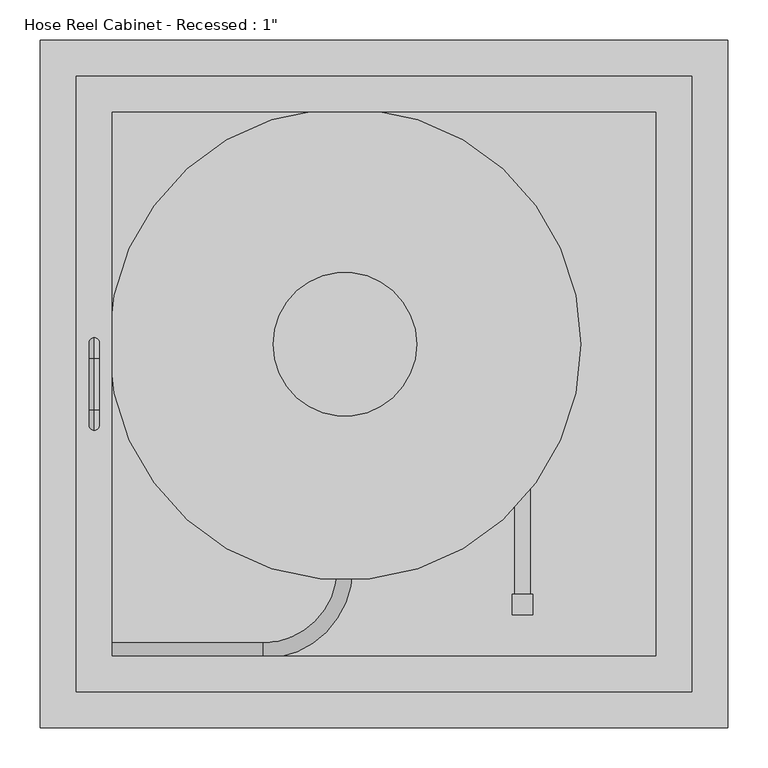
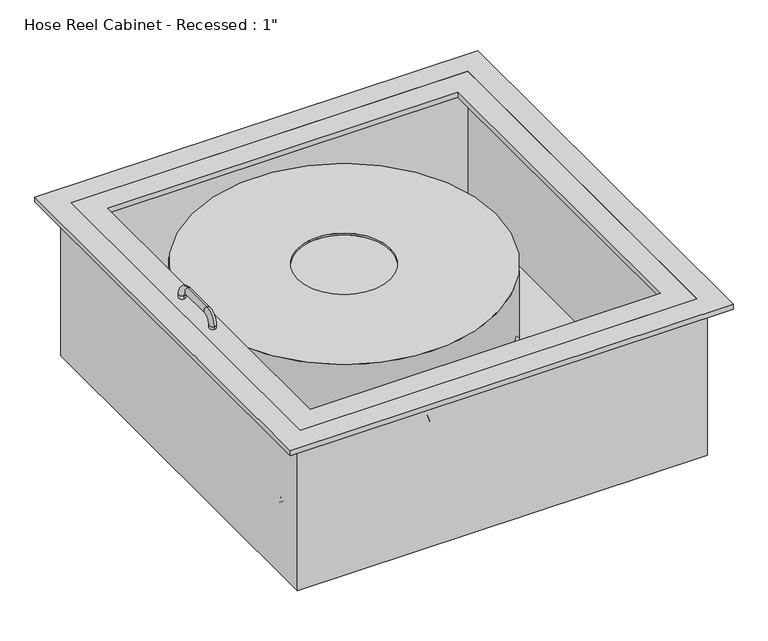
"""IFC4 building model written with IfcOpenShell, lengths in millimetres: proxy geometry."""

from ifc_helpers import new_model, si_unit, point, frame, origin, origin_with_axes, place, context, project, spatial, polyline, circle_curve, ellipse_curve, trimmed, outline, extrude, faceted_brep, source, transform, mapped, element, save
from ifc_brep_helpers import plane_surface, cylinder_surface, revolved_surface, advanced_brep


def proxy_30a38437(model_context):
    return source(origin(), model_context, "Body", "SolidModel", [
        extrude(outline(polyline([(381.0, 774.7), (381.0, 12.7), (-381.0, 12.7), (-381.0, 774.7), (381.0, 774.7)]), holes=[polyline([(336.55, 730.25), (-336.55, 730.25), (-336.55, 57.15), (336.55, 57.15), (336.55, 730.25)])]), origin_with_axes(), (0.0, 0.0, 1.0), 9.525),
        faceted_brep([(393.7, 787.4, -304.8), (393.7, 0.0, -304.8), (-393.7, 0.0, -304.8), (-393.7, 787.4, -304.8), (-393.7, 787.4, 0.0), (393.7, 787.4, 0.0), (-393.7, 0.0, 0.0), (393.7, 0.0, 0.0), (381.0, 774.7, -282.575), (-381.0, 774.7, -282.575), (-381.0, 12.7, -282.575), (381.0, 12.7, -282.575), (381.0, 774.7, 9.525), (-381.0, 774.7, 9.525), (-381.0, 12.7, 9.525), (381.0, 12.7, 9.525), (425.45, 819.15, 9.525), (-425.45, 819.15, 9.525), (-425.45, -31.75, 9.525), (425.45, -31.75, 9.525), (425.45, 819.15, 0.0), (425.45, -31.75, 0.0), (-425.45, -31.75, 0.0), (-425.45, 819.15, 0.0)], [[[0, 1, 2, 3]], [[0, 3, 4, 5]], [[3, 2, 6, 4]], [[2, 1, 7, 6]], [[1, 0, 5, 7]], [[8, 9, 10, 11]], [[9, 8, 12, 13]], [[10, 9, 13, 14]], [[11, 10, 14, 15]], [[12, 8, 11, 15]], [[16, 17, 18, 19], [12, 15, 14, 13]], [[20, 21, 22, 23], [5, 4, 6, 7]], [[17, 16, 20, 23]], [[18, 17, 23, 22]], [[19, 18, 22, 21]], [[16, 19, 21, 20]]]),
        advanced_brep(
        [(161.925, 342.9, -152.4), (180.975, 342.9, -152.4), (180.975, 133.35, -152.4), (161.925, 133.35, -152.4), (158.75, 107.95, -152.4), (184.15, 107.95, -152.4), (158.75, 133.35, -152.4), (184.15, 133.35, -152.4)],
        [
            (0, 1, circle_curve(frame((171.45, 342.9, -152.4), z_axis=(0.0, 1.0, 0.0), x_axis=(1.0, 0.0, 0.0)), 9.525)),
            (1, 0, circle_curve(frame((171.45, 342.9, -152.4), z_axis=(0.0, 1.0, 0.0), x_axis=(1.0, 0.0, 0.0)), 9.525)),
            (1, 2),
            (2, 3, circle_curve(frame((171.45, 133.35, -152.4), z_axis=(0.0, 1.0, 0.0), x_axis=(1.0, 0.0, 0.0)), 9.525)),
            (3, 0),
            (3, 2, circle_curve(frame((171.45, 133.35, -152.4), z_axis=(0.0, 1.0, 0.0), x_axis=(1.0, 0.0, 0.0)), 9.525)),
            (4, 5, circle_curve(frame((171.45, 107.95, -152.4), z_axis=(0.0, -1.0, 0.0), x_axis=(1.0, 0.0, 0.0)), 12.7)),
            (5, 4, circle_curve(frame((171.45, 107.95, -152.4), z_axis=(0.0, -1.0, 0.0), x_axis=(1.0, 0.0, 0.0)), 12.7)),
            (6, 7, circle_curve(frame((171.45, 133.35, -152.4), z_axis=(0.0, 1.0, 0.0), x_axis=(1.0, 0.0, 0.0)), 12.7)),
            (7, 6, circle_curve(frame((171.45, 133.35, -152.4), z_axis=(0.0, 1.0, 0.0), x_axis=(1.0, 0.0, 0.0)), 12.7)),
            (4, 6),
            (7, 5),
        ],
        [
            plane_surface(frame((180.975, 342.9, -152.4), z_axis=(0.0, 1.0, 0.0), x_axis=(0.0, 0.0, -1.0))),
            cylinder_surface(frame((171.45, 342.9, -152.4), z_axis=(0.0, -1.0, 0.0), x_axis=(1.0, 0.0, 0.0)), 9.525),
            plane_surface(frame((184.15, 107.95, -152.4), z_axis=(0.0, -1.0, 0.0), x_axis=(0.0, 0.0, 1.0))),
            plane_surface(frame((184.15, 133.35, -152.4), z_axis=(0.0, 1.0, 0.0), x_axis=(0.0, 0.0, -1.0))),
            cylinder_surface(frame((171.45, 133.35, -152.4), z_axis=(0.0, -1.0, 0.0), x_axis=(1.0, 0.0, 0.0)), 12.7),
        ],
        [
            (0, [[1, 2]]),
            (1, [[-2, 3, 4, 5]]),
            (1, [[-1, -5, 6, -3]]),
            (2, [[7, 8]]),
            (3, [[9, 10], [-4, -6]]),
            (4, [[-7, 11, -10, 12]]),
            (4, [[-8, -12, -9, -11]]),
        ],
    ),
        advanced_brep(
        [(-393.7, 53.975, -152.4), (-393.7, 73.025, -152.4), (-150.01875, 53.975, -152.4), (-150.01875, 73.025, -152.4), (-57.94375, 165.1, -152.4), (-38.89375, 165.1, -152.4), (-38.89375, 196.85, -152.4), (-57.94375, 196.85, -152.4)],
        [
            (0, 1, circle_curve(frame((-393.7, 63.5, -152.4), z_axis=(-1.0, 0.0, 0.0), x_axis=(0.0, 1.0, 0.0)), 9.525)),
            (1, 0, circle_curve(frame((-393.7, 63.5, -152.4), z_axis=(-1.0, 0.0, 0.0), x_axis=(0.0, 1.0, 0.0)), 9.525)),
            (0, 2),
            (2, 3, circle_curve(frame((-150.01875, 63.5, -152.4), z_axis=(-1.0, 0.0, 0.0), x_axis=(0.0, 1.0, 0.0)), 9.525)),
            (3, 1),
            (3, 2, circle_curve(frame((-150.01875, 63.5, -152.4), z_axis=(-1.0, 0.0, 0.0), x_axis=(0.0, 1.0, 0.0)), 9.525)),
            (4, 3, circle_curve(frame((-150.01875, 165.1, -152.4), z_axis=(0.0, 0.0, -1.0), x_axis=(0.0, -1.0, 0.0)), 92.075)),
            (2, 5, circle_curve(frame((-150.01875, 165.1, -152.4), z_axis=(0.0, 0.0, 1.0), x_axis=(0.0, -1.0, 0.0)), 111.125)),
            (5, 4, circle_curve(frame((-48.41875, 165.1, -152.4), z_axis=(0.0, -1.0, 0.0), x_axis=(-1.0, 0.0, 0.0)), 9.525)),
            (4, 5, circle_curve(frame((-48.41875, 165.1, -152.4), z_axis=(0.0, -1.0, 0.0), x_axis=(-1.0, 0.0, 0.0)), 9.525)),
            (6, 7, circle_curve(frame((-48.41875, 196.85, -152.4), z_axis=(0.0, 1.0, 0.0), x_axis=(-1.0, 0.0, 0.0)), 9.525)),
            (7, 6, circle_curve(frame((-48.41875, 196.85, -152.4), z_axis=(0.0, 1.0, 0.0), x_axis=(-1.0, 0.0, 0.0)), 9.525)),
            (5, 6),
            (7, 4),
        ],
        [
            plane_surface(frame((-393.7, 63.5, -152.4), z_axis=(-1.0, 0.0, 0.0), x_axis=(0.0, 0.0, 1.0))),
            cylinder_surface(frame((-393.7, 63.5, -152.4), z_axis=(-1.0, 0.0, 0.0), x_axis=(0.0, 1.0, 0.0)), 9.525),
            revolved_surface(trimmed(ellipse_curve(frame((-150.01875, 63.5, -152.4), z_axis=(-1.0, 0.0, 0.0), x_axis=(0.0, 1.0, 0.0)), 9.525, 9.525), [point((-150.01875, 53.975, -152.4))], [point((-150.01875, 73.025, -152.4))], True, "CARTESIAN"), (-150.01875, 165.1, -152.4), (0.0, 0.0, 1.0)),
            revolved_surface(trimmed(ellipse_curve(frame((-150.01875, 63.5, -152.4), z_axis=(-1.0, 0.0, 0.0), x_axis=(0.0, 1.0, 0.0)), 9.525, 9.525), [point((-150.01875, 73.025, -152.4))], [point((-150.01875, 53.975, -152.4))], True, "CARTESIAN"), (-150.01875, 165.1, -152.4), (0.0, 0.0, 1.0)),
            plane_surface(frame((-48.41875, 196.85, -152.4), z_axis=(0.0, 1.0, 0.0), x_axis=(0.0, 0.0, 1.0))),
            cylinder_surface(frame((-48.41875, 165.1, -152.4), z_axis=(0.0, -1.0, 0.0), x_axis=(-1.0, 0.0, 0.0)), 9.525),
        ],
        [
            (0, [[1, 2]]),
            (1, [[-1, 3, 4, 5]]),
            (1, [[-2, -5, 6, -3]]),
            (2, [[7, -4, 8, 9]]),
            (3, [[-8, -6, -7, 10]]),
            (4, [[11, 12]]),
            (5, [[-9, 13, -12, 14]]),
            (5, [[-10, -14, -11, -13]]),
        ],
    ),
        advanced_brep(
        [(-340.51875, 442.9125, -30.1625), (243.68125, 442.9125, -30.1625), (-137.31875, 442.9125, -30.1625), (40.48125, 442.9125, -30.1625), (-340.51875, 442.9125, -282.575), (243.68125, 442.9125, -282.575), (-137.31875, 442.9125, -33.3375), (40.48125, 442.9125, -33.3375)],
        [
            (0, 1, circle_curve(frame((-48.41875, 442.9125, -30.1625), z_axis=(0.0, 0.0, 1.0), x_axis=(1.0, 0.0, 0.0)), 292.1)),
            (1, 0, circle_curve(frame((-48.41875, 442.9125, -30.1625), z_axis=(0.0, 0.0, 1.0), x_axis=(1.0, 0.0, 0.0)), 292.1)),
            (2, 3, circle_curve(frame((-48.41875, 442.9125, -30.1625), z_axis=(0.0, 0.0, -1.0), x_axis=(1.0, 0.0, 0.0)), 88.9)),
            (3, 2, circle_curve(frame((-48.41875, 442.9125, -30.1625), z_axis=(0.0, 0.0, -1.0), x_axis=(1.0, 0.0, 0.0)), 88.9)),
            (4, 5, circle_curve(frame((-48.41875, 442.9125, -282.575), z_axis=(0.0, 0.0, -1.0), x_axis=(1.0, 0.0, 0.0)), 292.1)),
            (5, 4, circle_curve(frame((-48.41875, 442.9125, -282.575), z_axis=(0.0, 0.0, -1.0), x_axis=(1.0, 0.0, 0.0)), 292.1)),
            (0, 4),
            (5, 1),
            (2, 6),
            (6, 7, circle_curve(frame((-48.41875, 442.9125, -33.3375), z_axis=(0.0, 0.0, -1.0), x_axis=(1.0, 0.0, 0.0)), 88.9)),
            (7, 3),
            (7, 6, circle_curve(frame((-48.41875, 442.9125, -33.3375), z_axis=(0.0, 0.0, -1.0), x_axis=(1.0, 0.0, 0.0)), 88.9)),
        ],
        [
            plane_surface(frame((243.68125, 442.9125, -30.1625), z_axis=(0.0, 0.0, 1.0), x_axis=(0.0, 1.0, 0.0))),
            plane_surface(frame((243.68125, 442.9125, -282.575), z_axis=(0.0, 0.0, -1.0), x_axis=(0.0, -1.0, 0.0))),
            cylinder_surface(frame((-48.41875, 442.9125, -282.575), z_axis=(0.0, 0.0, 1.0), x_axis=(1.0, 0.0, 0.0)), 292.1),
            revolved_surface(polyline([(40.48125, 442.9125, -33.3375), (40.48125, 442.9125, -30.1625)]), (-48.41875, 442.9125, 0.0), (0.0, 0.0, -1.0)),
            plane_surface(frame((40.48125, 442.9125, -33.3375), z_axis=(0.0, 0.0, 1.0), x_axis=(0.0, 1.0, 0.0))),
        ],
        [
            (0, [[1, 2], [3, 4]]),
            (1, [[5, 6]]),
            (2, [[-1, 7, -6, 8]]),
            (2, [[-2, -8, -5, -7]]),
            (3, [[-3, 9, 10, 11]]),
            (3, [[-4, -11, 12, -9]]),
            (4, [[-10, -12]]),
        ],
    ),
        advanced_brep(
        [(-358.775, 450.85, 9.525), (-358.775, 438.15, 9.525), (-358.775, 450.85, 15.875), (-358.775, 438.15, 15.875), (-358.775, 425.45, 28.575), (-358.775, 425.45, 41.275), (-358.775, 361.95, 41.275), (-358.775, 361.95, 28.575), (-358.775, 349.25, 15.875), (-358.775, 336.55, 15.875), (-358.775, 336.55, 9.525), (-358.775, 349.25, 9.525)],
        [
            (0, 1, circle_curve(frame((-358.775, 444.5, 9.525), z_axis=(0.0, 0.0, -1.0), x_axis=(0.0, -1.0, 0.0)), 6.35)),
            (1, 0, circle_curve(frame((-358.775, 444.5, 9.525), z_axis=(0.0, 0.0, -1.0), x_axis=(0.0, -1.0, 0.0)), 6.35)),
            (0, 2),
            (2, 3, circle_curve(frame((-358.775, 444.5, 15.875), z_axis=(0.0, 0.0, -1.0), x_axis=(0.0, -1.0, 0.0)), 6.35)),
            (3, 1),
            (3, 2, circle_curve(frame((-358.775, 444.5, 15.875), z_axis=(0.0, 0.0, -1.0), x_axis=(0.0, -1.0, 0.0)), 6.35)),
            (4, 3, circle_curve(frame((-358.775, 425.45, 15.875), z_axis=(-1.0, 0.0, 0.0), x_axis=(0.0, 1.0, 0.0)), 12.7)),
            (2, 5, circle_curve(frame((-358.775, 425.45, 15.875), z_axis=(1.0, 0.0, 0.0), x_axis=(0.0, 1.0, 0.0)), 25.4)),
            (5, 4, circle_curve(frame((-358.775, 425.45, 34.925), z_axis=(0.0, 1.0, 0.0), x_axis=(0.0, 0.0, -1.0)), 6.35)),
            (4, 5, circle_curve(frame((-358.775, 425.45, 34.925), z_axis=(0.0, 1.0, 0.0), x_axis=(0.0, 0.0, -1.0)), 6.35)),
            (5, 6),
            (6, 7, circle_curve(frame((-358.775, 361.95, 34.925), z_axis=(0.0, 1.0, 0.0), x_axis=(0.0, 0.0, -1.0)), 6.35)),
            (7, 4),
            (7, 6, circle_curve(frame((-358.775, 361.95, 34.925), z_axis=(0.0, 1.0, 0.0), x_axis=(0.0, 0.0, -1.0)), 6.35)),
            (8, 7, circle_curve(frame((-358.775, 361.95, 15.875), z_axis=(-1.0, 0.0, 0.0), x_axis=(0.0, 0.0, 1.0)), 12.7)),
            (6, 9, circle_curve(frame((-358.775, 361.95, 15.875), z_axis=(1.0, 0.0, 0.0), x_axis=(0.0, 0.0, 1.0)), 25.4)),
            (9, 8, circle_curve(frame((-358.775, 342.9, 15.875), z_axis=(0.0, 0.0, 1.0), x_axis=(0.0, 1.0, 0.0)), 6.35)),
            (8, 9, circle_curve(frame((-358.775, 342.9, 15.875), z_axis=(0.0, 0.0, 1.0), x_axis=(0.0, 1.0, 0.0)), 6.35)),
            (10, 11, circle_curve(frame((-358.775, 342.9, 9.525), z_axis=(0.0, 0.0, -1.0), x_axis=(0.0, 1.0, 0.0)), 6.35)),
            (11, 10, circle_curve(frame((-358.775, 342.9, 9.525), z_axis=(0.0, 0.0, -1.0), x_axis=(0.0, 1.0, 0.0)), 6.35)),
            (9, 10),
            (11, 8),
        ],
        [
            plane_surface(frame((-358.775, 444.5, 9.525), z_axis=(0.0, 0.0, -1.0), x_axis=(1.0, 0.0, 0.0))),
            cylinder_surface(frame((-358.775, 444.5, 9.525), z_axis=(0.0, 0.0, -1.0), x_axis=(0.0, -1.0, 0.0)), 6.35),
            revolved_surface(trimmed(ellipse_curve(frame((-358.775, 444.5, 15.875), z_axis=(0.0, 0.0, -1.0), x_axis=(0.0, -1.0, 0.0)), 6.35, 6.35), [point((-358.775, 450.85, 15.875))], [point((-358.775, 438.15, 15.875))], True, "CARTESIAN"), (-358.775, 425.45, 15.875), (1.0, 0.0, 0.0)),
            revolved_surface(trimmed(ellipse_curve(frame((-358.775, 444.5, 15.875), z_axis=(0.0, 0.0, -1.0), x_axis=(0.0, -1.0, 0.0)), 6.35, 6.35), [point((-358.775, 438.15, 15.875))], [point((-358.775, 450.85, 15.875))], True, "CARTESIAN"), (-358.775, 425.45, 15.875), (1.0, 0.0, 0.0)),
            cylinder_surface(frame((-358.775, 425.45, 34.925), z_axis=(0.0, 1.0, 0.0), x_axis=(0.0, 0.0, -1.0)), 6.35),
            revolved_surface(trimmed(ellipse_curve(frame((-358.775, 361.95, 34.925), z_axis=(0.0, 1.0, 0.0), x_axis=(0.0, 0.0, -1.0)), 6.35, 6.35), [point((-358.775, 361.95, 41.275))], [point((-358.775, 361.95, 28.575))], True, "CARTESIAN"), (-358.775, 361.95, 15.875), (1.0, 0.0, 0.0)),
            revolved_surface(trimmed(ellipse_curve(frame((-358.775, 361.95, 34.925), z_axis=(0.0, 1.0, 0.0), x_axis=(0.0, 0.0, -1.0)), 6.35, 6.35), [point((-358.775, 361.95, 28.575))], [point((-358.775, 361.95, 41.275))], True, "CARTESIAN"), (-358.775, 361.95, 15.875), (1.0, 0.0, 0.0)),
            plane_surface(frame((-358.775, 342.9, 9.525), z_axis=(0.0, 0.0, -1.0), x_axis=(1.0, 0.0, 0.0))),
            cylinder_surface(frame((-358.775, 342.9, 15.875), z_axis=(0.0, 0.0, 1.0), x_axis=(0.0, 1.0, 0.0)), 6.35),
        ],
        [
            (0, [[1, 2]]),
            (1, [[-1, 3, 4, 5]]),
            (1, [[-2, -5, 6, -3]]),
            (2, [[7, -4, 8, 9]]),
            (3, [[-8, -6, -7, 10]]),
            (4, [[-9, 11, 12, 13]]),
            (4, [[-10, -13, 14, -11]]),
            (5, [[15, -12, 16, 17]]),
            (6, [[-16, -14, -15, 18]]),
            (7, [[19, 20]]),
            (8, [[-17, 21, -20, 22]]),
            (8, [[-18, -22, -19, -21]]),
        ],
    ),
    ])


if __name__ == "__main__":
    model = new_model("IFC4")
    model_context = context("Model", 3, world=origin())
    ifc_project = project(units=[si_unit("LENGTHUNIT", "METRE", prefix="MILLI")], contexts=[model_context])
    site = spatial("IfcSite", under=ifc_project)
    building = spatial("IfcBuilding", under=site)
    placement = place(None, origin())
    proxy_shape = proxy_30a38437(model_context)
    element("IfcBuildingElementProxy", 1, Name="Hose Reel Cabinet - Recessed : 1\"", ObjectType="Hose Reel Cabinet - Recessed : 1\"", at=placement, inside=building, context=model_context, shape_type="MappedRepresentation", body=[
        mapped(proxy_shape, transform((0.0, 0.0, 0.0), x_axis=(1.0, 0.0, 0.0), y_axis=(0.0, 1.0, 0.0), z_axis=(0.0, 0.0, 1.0))),
    ])
    save(model, "model.ifc")
